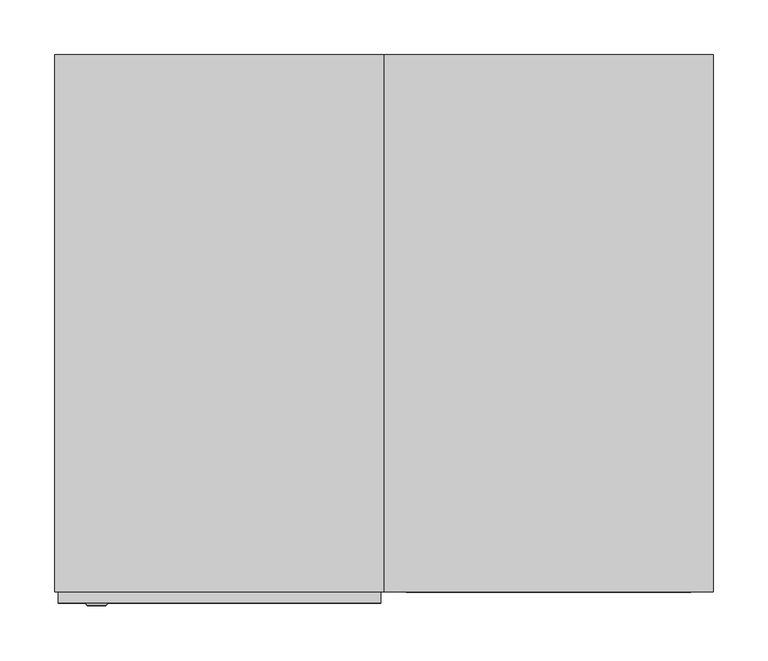
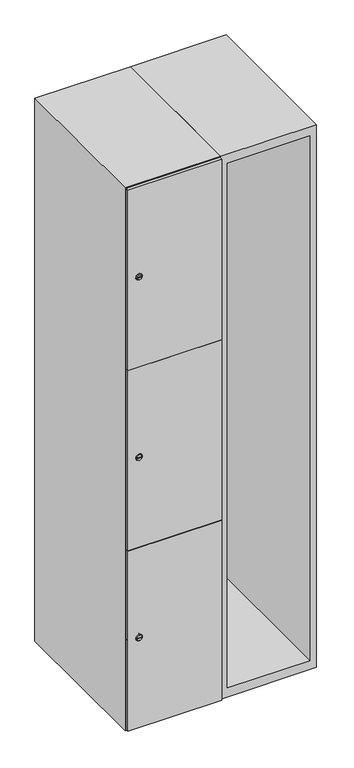
"""IFC4 building model written with IfcOpenShell, lengths in millimetres: furniture geometry."""

from ifc_helpers import new_model, si_unit, point, frame, frame_2d, origin, place, context, project, spatial, polyline, circle_curve, trimmed, segment, composite_curve, outline, extrude, faceted_brep, source, transform, mapped, element, save
from ifc_brep_helpers import plane_surface, revolved_surface, advanced_brep


def furniture_fcfd6a4c(model_context):
    return source(origin(), model_context, "Body", "SolidModel", [
        faceted_brep([(400.0, -245.0, 35.0), (400.0, -245.0, 1835.0), (100.0, -245.0, 1835.0), (100.0, -245.0, 35.0), (379.6, -245.0, 1804.8), (379.6, -245.0, 65.2), (120.4, -245.0, 65.2), (120.4, -245.0, 1804.8), (400.0, 245.0, 35.0), (100.0, 245.0, 35.0), (400.0, 245.0, 1835.0), (100.0, 245.0, 1835.0), (379.6, 242.0, 1804.8), (379.6, 242.0, 65.2), (100.0, 245.0, 1804.8), (120.4, 242.0, 1804.8), (120.4, 242.0, 65.2)], [[[0, 1, 2, 3], [4, 5, 6, 7]], [[8, 0, 3, 9]], [[1, 0, 8, 10]], [[1, 10, 11, 2]], [[4, 12, 13, 5]], [[9, 3, 2, 11, 14]], [[10, 8, 9, 14, 11]], [[12, 15, 16, 13]], [[15, 7, 6, 16]], [[4, 7, 15, 12]], [[6, 5, 13, 16]]]),
        extrude(outline(composite_curve([segment(trimmed(circle_curve(frame_2d((337.0, -188.7989466)), 7.0), [point((344.0, -188.7989466))], [point((330.0, -188.7989466))], False, "CARTESIAN"), True, "CONTINUOUS"), segment(polyline([(330.0, -188.7989466), (330.0, -160.7989466)]), True, "CONTINUOUS"), segment(trimmed(circle_curve(frame_2d((337.0, -160.7989466)), 7.0), [point((330.0, -160.7989466))], [point((344.0, -160.7989466))], False, "CARTESIAN"), True, "CONTINUOUS"), segment(polyline([(344.0, -160.7989466), (344.0, -188.7989466)]), True, "CONTINUOUS")], self_intersect=False)), frame((0.0, -245.0, 0.0), z_axis=(0.0, 1.0, 0.0), x_axis=(0.0, 0.0, 1.0)), (0.0, 0.0, 1.0), 2.0),
        advanced_brep(
        [(-153.5, -257.2, 337.0), (-170.5, -257.2, 337.0), (-167.0, -257.2, 335.75), (-167.0, -257.2, 338.25), (-157.0, -257.2, 338.25), (-157.0, -257.2, 335.75), (-151.5, -255.0, 337.0), (-172.5, -255.0, 337.0), (-167.0, -255.0, 338.25), (-167.0, -255.0, 335.75), (-157.0, -255.0, 335.75), (-157.0, -255.0, 338.25)],
        [
            (0, 1, circle_curve(frame((-162.0, -257.2, 337.0), z_axis=(0.0, -1.0, 0.0), x_axis=(1.0, 0.0, 0.0)), 8.5)),
            (1, 0, circle_curve(frame((-162.0, -257.2, 337.0), z_axis=(0.0, -1.0, 0.0), x_axis=(-1.0, 0.0, 0.0)), 8.5)),
            (2, 3),
            (3, 4),
            (4, 5),
            (5, 2),
            (6, 7, circle_curve(frame((-162.0, -255.0, 337.0), z_axis=(0.0, 1.0, 0.0), x_axis=(-1.0, 0.0, 0.0)), 10.5)),
            (7, 6, circle_curve(frame((-162.0, -255.0, 337.0), z_axis=(0.0, 1.0, 0.0), x_axis=(1.0, 0.0, 0.0)), 10.5)),
            (8, 9),
            (9, 10),
            (10, 11),
            (11, 8),
            (0, 6),
            (7, 1),
            (8, 3),
            (2, 9),
            (11, 4),
            (10, 5),
        ],
        [
            plane_surface(frame((-162.0, -257.2, 337.0), z_axis=(0.0, -1.0, 0.0), x_axis=(0.0, 0.0, 1.0))),
            plane_surface(frame((-162.0, -255.0, 337.0), z_axis=(0.0, 1.0, 0.0), x_axis=(0.0, 0.0, 1.0))),
            revolved_surface(polyline([(-153.5, -257.2, 337.0), (-151.5, -255.0, 337.0)]), (-162.0, -266.55, 337.0), (0.0, 1.0, 0.0)),
            revolved_surface(polyline([(-170.5, -257.2, 337.0), (-172.5, -255.0, 337.0)]), (-162.0, -266.55, 337.0), (0.0, 1.0, 0.0)),
            plane_surface(frame((-167.0, -255.0, 335.75), z_axis=(1.0, 0.0, 0.0), x_axis=(0.0, -1.0, 0.0))),
            plane_surface(frame((-167.0, -255.0, 338.25), z_axis=(0.0, 0.0, -1.0), x_axis=(0.0, -1.0, 0.0))),
            plane_surface(frame((-157.0, -255.0, 338.25), z_axis=(-1.0, 0.0, 0.0), x_axis=(0.0, -1.0, 0.0))),
            plane_surface(frame((-157.0, -255.0, 335.75), z_axis=(0.0, 0.0, 1.0), x_axis=(0.0, -1.0, 0.0))),
        ],
        [
            (0, [[1, 2], [3, 4, 5, 6]]),
            (1, [[7, 8], [9, 10, 11, 12]]),
            (2, [[-1, 13, -8, 14]]),
            (3, [[-2, -14, -7, -13]]),
            (4, [[15, -3, 16, -9]]),
            (5, [[-15, -12, 17, -4]]),
            (6, [[-17, -11, 18, -5]]),
            (7, [[-16, -6, -18, -10]]),
        ],
    ),
        extrude(outline(composite_curve([segment(trimmed(circle_curve(frame_2d((935.0, -188.7989466)), 7.0), [point((942.0, -188.7989466))], [point((928.0, -188.7989466))], False, "CARTESIAN"), True, "CONTINUOUS"), segment(polyline([(928.0, -188.7989466), (928.0, -160.7989466)]), True, "CONTINUOUS"), segment(trimmed(circle_curve(frame_2d((935.0, -160.7989466)), 7.0), [point((928.0, -160.7989466))], [point((942.0, -160.7989466))], False, "CARTESIAN"), True, "CONTINUOUS"), segment(polyline([(942.0, -160.7989466), (942.0, -188.7989466)]), True, "CONTINUOUS")], self_intersect=False)), frame((0.0, -245.0, 0.0), z_axis=(0.0, 1.0, 0.0), x_axis=(0.0, 0.0, 1.0)), (0.0, 0.0, 1.0), 2.0),
        advanced_brep(
        [(-153.5, -257.2, 935.0), (-170.5, -257.2, 935.0), (-167.0, -257.2, 933.75), (-167.0, -257.2, 936.25), (-157.0, -257.2, 936.25), (-157.0, -257.2, 933.75), (-151.5, -255.0, 935.0), (-172.5, -255.0, 935.0), (-167.0, -255.0, 936.25), (-167.0, -255.0, 933.75), (-157.0, -255.0, 933.75), (-157.0, -255.0, 936.25)],
        [
            (0, 1, circle_curve(frame((-162.0, -257.2, 935.0), z_axis=(0.0, -1.0, 0.0), x_axis=(1.0, 0.0, 0.0)), 8.5)),
            (1, 0, circle_curve(frame((-162.0, -257.2, 935.0), z_axis=(0.0, -1.0, 0.0), x_axis=(-1.0, 0.0, 0.0)), 8.5)),
            (2, 3),
            (3, 4),
            (4, 5),
            (5, 2),
            (6, 7, circle_curve(frame((-162.0, -255.0, 935.0), z_axis=(0.0, 1.0, 0.0), x_axis=(-1.0, 0.0, 0.0)), 10.5)),
            (7, 6, circle_curve(frame((-162.0, -255.0, 935.0), z_axis=(0.0, 1.0, 0.0), x_axis=(1.0, 0.0, 0.0)), 10.5)),
            (8, 9),
            (9, 10),
            (10, 11),
            (11, 8),
            (0, 6),
            (7, 1),
            (8, 3),
            (2, 9),
            (11, 4),
            (10, 5),
        ],
        [
            plane_surface(frame((-162.0, -257.2, 935.0), z_axis=(0.0, -1.0, 0.0), x_axis=(0.0, 0.0, 1.0))),
            plane_surface(frame((-162.0, -255.0, 935.0), z_axis=(0.0, 1.0, 0.0), x_axis=(0.0, 0.0, 1.0))),
            revolved_surface(polyline([(-153.5, -257.2, 935.0), (-151.5, -255.0, 935.0)]), (-162.0, -266.55, 935.0), (0.0, 1.0, 0.0)),
            revolved_surface(polyline([(-170.5, -257.2, 935.0), (-172.5, -255.0, 935.0)]), (-162.0, -266.55, 935.0), (0.0, 1.0, 0.0)),
            plane_surface(frame((-167.0, -255.0, 933.75), z_axis=(1.0, 0.0, 0.0), x_axis=(0.0, -1.0, 0.0))),
            plane_surface(frame((-167.0, -255.0, 936.25), z_axis=(0.0, 0.0, -1.0), x_axis=(0.0, -1.0, 0.0))),
            plane_surface(frame((-157.0, -255.0, 936.25), z_axis=(-1.0, 0.0, 0.0), x_axis=(0.0, -1.0, 0.0))),
            plane_surface(frame((-157.0, -255.0, 933.75), z_axis=(0.0, 0.0, 1.0), x_axis=(0.0, -1.0, 0.0))),
        ],
        [
            (0, [[1, 2], [3, 4, 5, 6]]),
            (1, [[7, 8], [9, 10, 11, 12]]),
            (2, [[-1, 13, -8, 14]]),
            (3, [[-2, -14, -7, -13]]),
            (4, [[15, -3, 16, -9]]),
            (5, [[-15, -12, 17, -4]]),
            (6, [[-17, -11, 18, -5]]),
            (7, [[-16, -6, -18, -10]]),
        ],
    ),
        extrude(outline(composite_curve([segment(trimmed(circle_curve(frame_2d((1533.0, -188.7989466)), 7.0), [point((1540.0, -188.7989466))], [point((1526.0, -188.7989466))], False, "CARTESIAN"), True, "CONTINUOUS"), segment(polyline([(1526.0, -188.7989466), (1526.0, -160.7989466)]), True, "CONTINUOUS"), segment(trimmed(circle_curve(frame_2d((1533.0, -160.7989466)), 7.0), [point((1526.0, -160.7989466))], [point((1540.0, -160.7989466))], False, "CARTESIAN"), True, "CONTINUOUS"), segment(polyline([(1540.0, -160.7989466), (1540.0, -188.7989466)]), True, "CONTINUOUS")], self_intersect=False)), frame((0.0, -245.0, 0.0), z_axis=(0.0, 1.0, 0.0), x_axis=(0.0, 0.0, 1.0)), (0.0, 0.0, 1.0), 2.0),
        advanced_brep(
        [(-153.5, -257.2, 1533.0), (-170.5, -257.2, 1533.0), (-167.0, -257.2, 1531.75), (-167.0, -257.2, 1534.25), (-157.0, -257.2, 1534.25), (-157.0, -257.2, 1531.75), (-151.5, -255.0, 1533.0), (-172.5, -255.0, 1533.0), (-167.0, -255.0, 1534.25), (-167.0, -255.0, 1531.75), (-157.0, -255.0, 1531.75), (-157.0, -255.0, 1534.25)],
        [
            (0, 1, circle_curve(frame((-162.0, -257.2, 1533.0), z_axis=(0.0, -1.0, 0.0), x_axis=(1.0, 0.0, 0.0)), 8.5)),
            (1, 0, circle_curve(frame((-162.0, -257.2, 1533.0), z_axis=(0.0, -1.0, 0.0), x_axis=(-1.0, 0.0, 0.0)), 8.5)),
            (2, 3),
            (3, 4),
            (4, 5),
            (5, 2),
            (6, 7, circle_curve(frame((-162.0, -255.0, 1533.0), z_axis=(0.0, 1.0, 0.0), x_axis=(-1.0, 0.0, 0.0)), 10.5)),
            (7, 6, circle_curve(frame((-162.0, -255.0, 1533.0), z_axis=(0.0, 1.0, 0.0), x_axis=(1.0, 0.0, 0.0)), 10.5)),
            (8, 9),
            (9, 10),
            (10, 11),
            (11, 8),
            (0, 6),
            (7, 1),
            (8, 3),
            (2, 9),
            (11, 4),
            (10, 5),
        ],
        [
            plane_surface(frame((-162.0, -257.2, 1533.0), z_axis=(0.0, -1.0, 0.0), x_axis=(0.0, 0.0, 1.0))),
            plane_surface(frame((-162.0, -255.0, 1533.0), z_axis=(0.0, 1.0, 0.0), x_axis=(0.0, 0.0, 1.0))),
            revolved_surface(polyline([(-153.5, -257.2, 1533.0), (-151.5, -255.0, 1533.0)]), (-162.0, -266.55, 1533.0), (0.0, 1.0, 0.0)),
            revolved_surface(polyline([(-170.5, -257.2, 1533.0), (-172.5, -255.0, 1533.0)]), (-162.0, -266.55, 1533.0), (0.0, 1.0, 0.0)),
            plane_surface(frame((-167.0, -255.0, 1531.75), z_axis=(1.0, 0.0, 0.0), x_axis=(0.0, -1.0, 0.0))),
            plane_surface(frame((-167.0, -255.0, 1534.25), z_axis=(0.0, 0.0, -1.0), x_axis=(0.0, -1.0, 0.0))),
            plane_surface(frame((-157.0, -255.0, 1534.25), z_axis=(-1.0, 0.0, 0.0), x_axis=(0.0, -1.0, 0.0))),
            plane_surface(frame((-157.0, -255.0, 1531.75), z_axis=(0.0, 0.0, 1.0), x_axis=(0.0, -1.0, 0.0))),
        ],
        [
            (0, [[1, 2], [3, 4, 5, 6]]),
            (1, [[7, 8], [9, 10, 11, 12]]),
            (2, [[-1, 13, -8, 14]]),
            (3, [[-2, -14, -7, -13]]),
            (4, [[15, -3, 16, -9]]),
            (5, [[-15, -12, 17, -4]]),
            (6, [[-17, -11, 18, -5]]),
            (7, [[-16, -6, -18, -10]]),
        ],
    ),
        extrude(outline(polyline([(97.0, -245.0), (97.0, -255.0), (-197.0, -255.0), (-197.0, -245.0), (97.0, -245.0)])), frame((0.0, 0.0, 636.5), z_axis=(0.0, 0.0, 1.0), x_axis=(1.0, 0.0, 0.0)), (0.0, 0.0, 1.0), 597.0),
        extrude(outline(polyline([(-197.0, -255.0), (-197.0, -245.0), (97.0, -245.0), (97.0, -255.0), (-197.0, -255.0)])), frame((0.0, 0.0, 1234.5), z_axis=(0.0, 0.0, 1.0), x_axis=(1.0, 0.0, 0.0)), (0.0, 0.0, 1.0), 597.5),
        extrude(outline(polyline([(97.0, -245.0), (97.0, -255.0), (-197.0, -255.0), (-197.0, -245.0), (97.0, -245.0)])), frame((0.0, 0.0, 38.0), z_axis=(0.0, 0.0, 1.0), x_axis=(1.0, 0.0, 0.0)), (0.0, 0.0, 1.0), 597.5),
        extrude(outline(polyline([(79.6, 242.0), (79.6, -235.0), (-179.6, -235.0), (-179.6, 242.0), (79.6, 242.0)])), frame((0.0, 0.0, 1214.7333333), z_axis=(0.0, 0.0, 1.0), x_axis=(1.0, 0.0, 0.0)), (0.0, 0.0, 1.0), 20.4),
        extrude(outline(polyline([(-179.6, 242.0), (79.6, 242.0), (79.6, -235.0), (-179.6, -235.0), (-179.6, 242.0)])), frame((0.0, 0.0, 634.8666667), z_axis=(0.0, 0.0, 1.0), x_axis=(1.0, 0.0, 0.0)), (0.0, 0.0, 1.0), 20.4),
        faceted_brep([(100.0, -245.0, 35.0), (100.0, -245.0, 1835.0), (-200.0, -245.0, 1835.0), (-200.0, -245.0, 35.0), (79.6, -245.0, 1804.8), (79.6, -245.0, 65.2), (-179.6, -245.0, 65.2), (-179.6, -245.0, 1804.8), (100.0, 245.0, 35.0), (-200.0, 245.0, 35.0), (100.0, 245.0, 1835.0), (-200.0, 245.0, 1835.0), (79.6, 242.0, 1804.8), (79.6, 242.0, 65.2), (-200.0, 245.0, 1804.8), (-179.6, 242.0, 1804.8), (-179.6, 242.0, 65.2)], [[[0, 1, 2, 3], [4, 5, 6, 7]], [[8, 0, 3, 9]], [[1, 0, 8, 10]], [[1, 10, 11, 2]], [[4, 12, 13, 5]], [[9, 3, 2, 11, 14]], [[10, 8, 9, 14, 11]], [[12, 15, 16, 13]], [[15, 7, 6, 16]], [[4, 7, 15, 12]], [[6, 5, 13, 16]]]),
    ])


if __name__ == "__main__":
    model = new_model("IFC4")
    model_context = context("Model", 3, world=origin())
    ifc_project = project(units=[si_unit("LENGTHUNIT", "METRE", prefix="MILLI")], contexts=[model_context])
    site = spatial("IfcSite", under=ifc_project)
    building = spatial("IfcBuilding", under=site)
    placement = place(None, origin())
    furniture_shape = furniture_fcfd6a4c(model_context)
    element("IfcFurniture", 1, at=placement, inside=building, context=model_context, shape_type="MappedRepresentation", body=[
        mapped(furniture_shape, transform((0.0, 0.0, 0.0), x_axis=(1.0, 0.0, 0.0), y_axis=(0.0, 1.0, 0.0), z_axis=(0.0, 0.0, 1.0))),
    ])
    save(model, "model.ifc")
